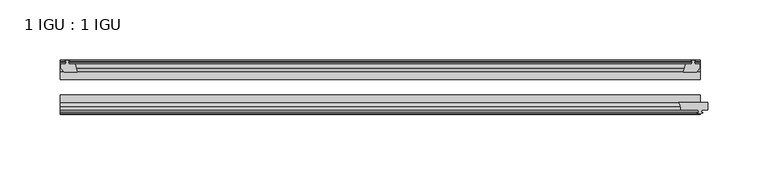
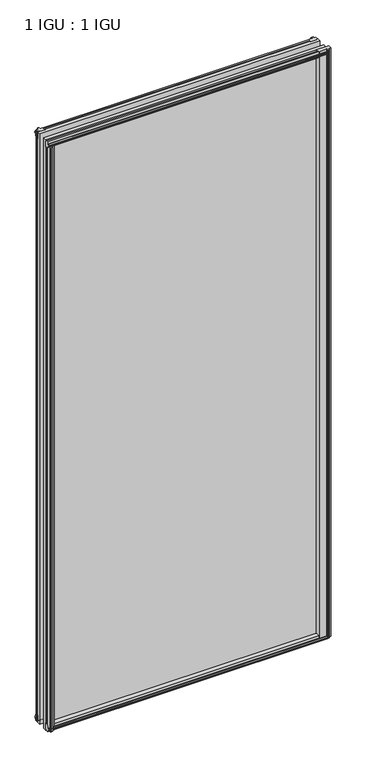
"""IFC4 building model written with IfcOpenShell, lengths in millimetres: plate geometry, 1 IGU : 1 IGU."""

from ifc_helpers import new_model, si_unit, point, frame, frame_2d, origin, place, context, project, spatial, polyline, circle_curve, trimmed, segment, composite_curve, outline, extrude, source, transform, mapped, element, save


def plate_1_igu_1_igu_130cb264(model_context):
    return source(origin(), model_context, "Body", "SweptSolid", [
        extrude(outline(polyline([(258.8916084, -10.4746158), (261.0691375, -9.7670938), (263.2466666, -10.4746158), (263.2466666, -11.27583), (261.8311375, -10.8158968), (262.2121375, -13.1960938), (266.6571375, -13.1960938), (266.6571375, -16.1424938), (263.8227953, -19.5460938), (253.0014194, -19.5460938), (254.7191375, -13.1960938), (259.9261375, -13.1960938), (260.3071375, -10.8158968), (258.8916084, -11.27583), (258.8916084, -10.4746158)])), frame((0.0, 0.0, -12.4587), z_axis=(0.0, 0.0, 1.0), x_axis=(1.0, 0.0, 0.0)), (0.0, 0.0, 1.0), 1180.6174),
        extrude(outline(polyline([(-257.6957, -9.7670937), (-255.5181709, -10.4746158), (-255.5181709, -11.27583), (-256.9337, -10.8158968), (-256.5527, -13.1960937), (-251.3457, -13.1960937), (-249.6279819, -19.5460937), (-260.4493578, -19.5460937), (-263.2837, -16.1424937), (-263.2837, -13.1960937), (-258.8387, -13.1960937), (-258.4577, -10.8158968), (-259.8732291, -11.27583), (-259.8732291, -10.4746158), (-257.6957, -9.7670937)])), frame((0.0, 0.0, -12.4587), z_axis=(0.0, 0.0, 1.0), x_axis=(1.0, 0.0, 0.0)), (0.0, 0.0, 1.0), 1180.6174),
        extrude(outline(composite_curve([segment(polyline([(248.9617558, -44.9460938), (273.05, -44.9460938), (273.05, -51.2960938), (267.97, -51.2960938), (267.6525, -53.4006957), (268.8711059, -53.0741712), (269.0749, -53.8347412), (266.7, -54.4710938), (264.3251, -53.8347412), (264.5288941, -53.0741712), (265.7475, -53.4006957), (265.43, -51.2960938), (250.825, -51.2960938)]), True, "CONTINUOUS"), segment(trimmed(circle_curve(frame_2d((242.0493721, -50.4227155)), 8.8189814), [point((250.825, -51.2960938))], [point((248.9617558, -44.9460938))], True, "CARTESIAN"), True, "CONTINUOUS")], self_intersect=False)), frame((0.0, 0.0, -9.0482291), z_axis=(0.0, 0.0, 1.0), x_axis=(1.0, 0.0, 0.0)), (0.0, 0.0, 1.0), 1177.2069291),
        extrude(outline(polyline([(-249.1072819, -44.9460937), (-250.825, -51.2960937), (-256.032, -51.2960937), (-256.413, -53.6762907), (-254.9974709, -53.2163575), (-254.9974709, -54.0175717), (-257.175, -54.7250937), (-259.3525291, -54.0175717), (-259.3525291, -53.2163575), (-257.937, -53.6762907), (-258.318, -51.2960937), (-262.763, -51.2960937), (-262.763, -48.3496937), (-259.9286578, -44.9460937), (-249.1072819, -44.9460937)])), frame((0.0, 0.0, -12.4587), z_axis=(0.0, 0.0, 1.0), x_axis=(1.0, 0.0, 0.0)), (0.0, 0.0, 1.0), 1167.9174),
        extrude(outline(polyline([(-10.4746158, -4.6931709), (-9.7670937, -6.8707), (-10.4746158, -9.0482291), (-11.27583, -9.0482291), (-10.8158968, -7.6327), (-13.1960937, -8.0137), (-13.1960937, -12.4587), (-16.1424937, -12.4587), (-19.5460937, -9.6243578), (-19.5460937, 1.1970181), (-13.1960937, -0.5207), (-13.1960937, -5.7277), (-10.8158968, -6.1087), (-11.27583, -4.6931709), (-10.4746158, -4.6931709)])), frame((-263.525, 0.0, 0.0), z_axis=(1.0, 0.0, 0.0), x_axis=(0.0, 1.0, 0.0)), (0.0, 0.0, 1.0), 530.225),
        extrude(outline(polyline([(-44.9460937, 1.7177181), (-44.9460937, -9.1036578), (-48.3496937, -11.938), (-51.2960937, -11.938), (-51.2960937, -7.493), (-53.6762907, -7.112), (-53.2163575, -8.5275291), (-54.0175717, -8.5275291), (-54.7250937, -6.35), (-54.0175717, -4.1724709), (-53.2163575, -4.1724709), (-53.6762907, -5.588), (-51.2960937, -5.207), (-51.2960937, 0.0), (-44.9460937, 1.7177181)])), frame((-263.525, 0.0, 0.0), z_axis=(1.0, 0.0, 0.0), x_axis=(0.0, 1.0, 0.0)), (0.0, 0.0, 1.0), 530.225),
        extrude(outline(polyline([(-10.8158968, 1163.3327), (-11.27583, 1164.7482291), (-10.4746158, 1164.7482291), (-9.7670937, 1162.5707), (-10.4746158, 1160.3931709), (-11.27583, 1160.3931709), (-10.8158968, 1161.8087), (-13.1960937, 1161.4277), (-13.1960937, 1156.2207), (-19.5460938, 1154.5029819), (-19.5460938, 1165.3243578), (-16.1424937, 1168.1587), (-13.1960937, 1168.1587), (-13.1960937, 1163.7137), (-10.8158968, 1163.3327)])), frame((-263.525, 0.0, 0.0), z_axis=(1.0, 0.0, 0.0), x_axis=(0.0, 1.0, 0.0)), (0.0, 0.0, 1.0), 530.225),
        extrude(outline(polyline([(-51.2960937, 1167.638), (-48.3496937, 1167.638), (-44.9460938, 1164.8036578), (-44.9460938, 1153.9822819), (-51.2960937, 1155.7), (-51.2960937, 1160.907), (-53.6762907, 1161.288), (-53.2163575, 1159.8724709), (-54.0175717, 1159.8724709), (-54.7250937, 1162.05), (-54.0175717, 1164.2275291), (-53.2163575, 1164.2275291), (-53.6762907, 1162.812), (-51.2960937, 1163.193), (-51.2960937, 1167.638)])), frame((-263.525, 0.0, 0.0), z_axis=(1.0, 0.0, 0.0), x_axis=(0.0, 1.0, 0.0)), (0.0, 0.0, 1.0), 530.225),
        extrude(outline(polyline([(-263.525, -38.9186738), (266.7, -38.9186738), (266.7, -44.9460937), (-263.525, -44.9460937), (-263.525, -38.9186738)])), frame((0.0, 0.0, -12.7), z_axis=(0.0, 0.0, 1.0), x_axis=(1.0, 0.0, 0.0)), (0.0, 0.0, 1.0), 1181.1),
        extrude(outline(polyline([(-263.525, -19.5460937), (266.7, -19.5460937), (266.7, -25.8960938), (-263.525, -25.8960938), (-263.525, -19.5460937)])), frame((0.0, 0.0, -12.7), z_axis=(0.0, 0.0, 1.0), x_axis=(1.0, 0.0, 0.0)), (0.0, 0.0, 1.0), 1181.1),
    ])


if __name__ == "__main__":
    model = new_model("IFC4")
    model_context = context("Model", 3, world=origin())
    ifc_project = project(units=[si_unit("LENGTHUNIT", "METRE", prefix="MILLI")], contexts=[model_context])
    site = spatial("IfcSite", under=ifc_project)
    building = spatial("IfcBuilding", under=site)
    placement = place(None, origin())
    plate_1_igu_1_igu_shape = plate_1_igu_1_igu_130cb264(model_context)
    element("IfcPlate", 1, ObjectType="1 IGU : 1 IGU", at=placement, inside=building, context=model_context, shape_type="MappedRepresentation", body=[
        mapped(plate_1_igu_1_igu_shape, transform((0.0, 0.0, 0.0), x_axis=(1.0, 0.0, 0.0), y_axis=(0.0, 1.0, 0.0), z_axis=(0.0, 0.0, 1.0))),
    ])
    save(model, "model.ifc")
